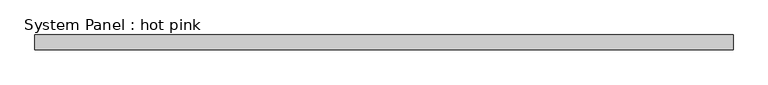
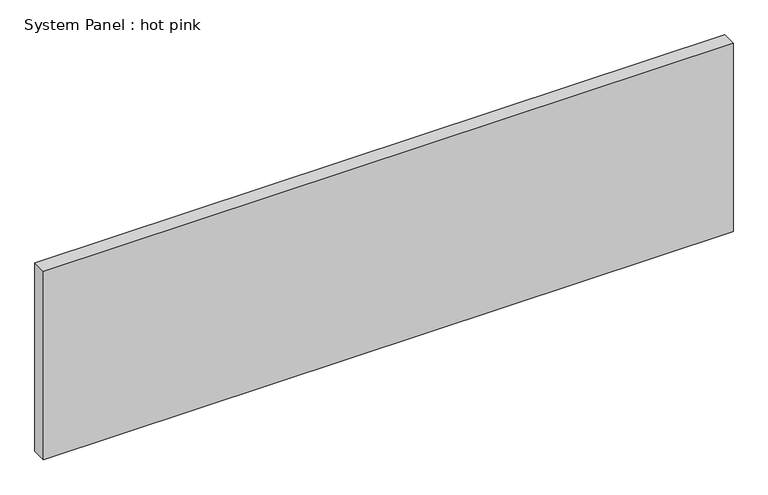
"""IFC4 building model written with IfcOpenShell, lengths in millimetres: plate geometry, System Panel : hot pink."""

from ifc_helpers import new_model, si_unit, origin, origin_with_axes, place, context, project, spatial, polyline, outline, extrude, source, transform, mapped, element, save


def system_panel_hot_pink_af8259e1(model_context):
    return source(origin(), model_context, "Body", "SweptSolid", [
        extrude(outline(polyline([(1472.9465529, -44.45), (-1472.9465529, -44.45), (-1472.9465529, 19.05), (1472.9465529, 19.05), (1472.9465529, -44.45)])), origin_with_axes(), (0.0, 0.0, 1.0), 850.9),
    ])


if __name__ == "__main__":
    model = new_model("IFC4")
    model_context = context("Model", 3, world=origin())
    ifc_project = project(units=[si_unit("LENGTHUNIT", "METRE", prefix="MILLI")], contexts=[model_context])
    site = spatial("IfcSite", under=ifc_project)
    building = spatial("IfcBuilding", under=site)
    placement = place(None, origin())
    system_panel_hot_pink_shape = system_panel_hot_pink_af8259e1(model_context)
    element("IfcPlate", 1, ObjectType="System Panel : hot pink", at=placement, inside=building, context=model_context, shape_type="MappedRepresentation", body=[
        mapped(system_panel_hot_pink_shape, transform((0.0, 0.0, 0.0), x_axis=(1.0, 0.0, 0.0), y_axis=(0.0, 1.0, 0.0), z_axis=(0.0, 0.0, 1.0))),
    ])
    save(model, "model.ifc")
